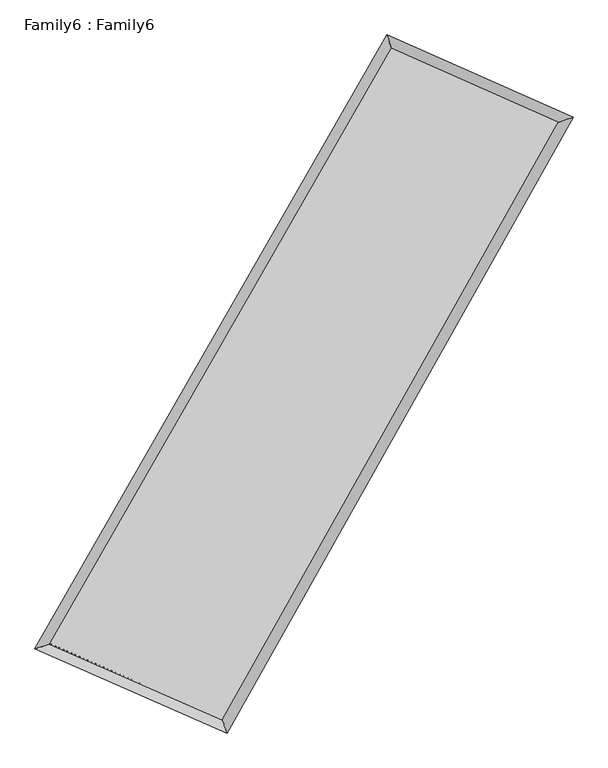
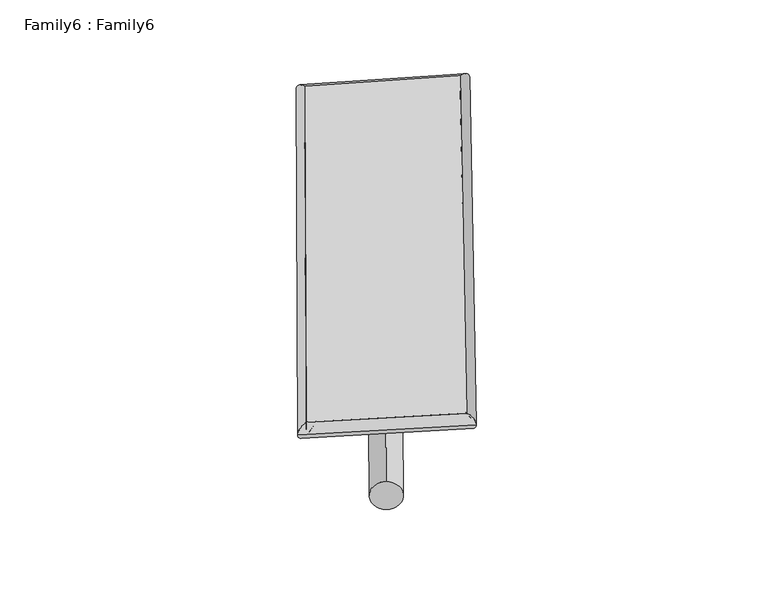
"""IFC4 building model written with IfcOpenShell, lengths in millimetres: plate geometry, Family6 : Family6."""

from ifc_helpers import new_model, si_unit, point, frame, origin, origin_2d, place, context, project, spatial, circle_curve, ellipse_curve, trimmed, segment, composite_curve, outline, extrude, source, transform, mapped, element, save
from ifc_brep_helpers import plane_surface, cylinder_surface, spline_surface, advanced_brep


def family6_family6_4f1f9428(model_context):
    return source(origin(), model_context, "Body", "SolidModel", [
        extrude(outline(composite_curve([segment(trimmed(circle_curve(origin_2d(), 76.2), [point((-75.4341514, -10.7763073))], [point((75.4341514, 10.7763073))], False, "CARTESIAN"), True, "CONTINUOUS"), segment(trimmed(circle_curve(origin_2d(), 76.2), [point((75.4341514, 10.7763073))], [point((-75.4341514, -10.7763073))], False, "CARTESIAN"), True, "CONTINUOUS")], self_intersect=False)), frame((9144.0, 9144.0, 0.0), z_axis=(0.6713587139183311, 0.6916997457541509, 0.26613706801114223), x_axis=(-0.6828703750474199, 0.7168832916970128, -0.1405930189171988)), (0.0, 0.0, 1.0), 5771.3485803),
        extrude(outline(composite_curve([segment(trimmed(circle_curve(origin_2d(), 76.2), [point((-53.8815367, 53.8815367))], [point((53.8815367, -53.8815367))], False, "CARTESIAN"), True, "CONTINUOUS"), segment(trimmed(circle_curve(origin_2d(), 76.2), [point((53.8815367, -53.8815367))], [point((-53.8815367, 53.8815367))], False, "CARTESIAN"), True, "CONTINUOUS")], self_intersect=False)), frame((9144.0, 9144.0, 0.0), z_axis=(-0.676608276759463, -0.6869566961508516, 0.2651258897846389), x_axis=(0.6361779412145396, -0.3640569400502614, 0.680250080127353)), (0.0, 0.0, 1.0), 5792.954609),
        extrude(outline(composite_curve([segment(trimmed(circle_curve(origin_2d(), 76.2), [point((-53.8815367, -53.8815367))], [point((53.8815367, 53.8815367))], False, "CARTESIAN"), True, "CONTINUOUS"), segment(trimmed(circle_curve(origin_2d(), 76.2), [point((53.8815367, 53.8815367))], [point((-53.8815367, -53.8815367))], False, "CARTESIAN"), True, "CONTINUOUS")], self_intersect=False)), frame((9144.0, 9144.0, 0.0), z_axis=(0.2379861381619696, 0.9317209387144347, 0.27433317408553526), x_axis=(-0.8465655795861602, 0.33744169261679424, -0.41165498119646465)), (0.0, 0.0, 1.0), 5504.7900749),
        extrude(outline(composite_curve([segment(trimmed(circle_curve(origin_2d(), 76.2), [point((-75.4341514, 10.7763074))], [point((75.4341514, -10.7763074))], False, "CARTESIAN"), True, "CONTINUOUS"), segment(trimmed(circle_curve(origin_2d(), 76.2), [point((75.4341514, -10.7763074))], [point((-75.4341514, 10.7763074))], False, "CARTESIAN"), True, "CONTINUOUS")], self_intersect=False)), frame((9144.0, 9144.0, 0.0), z_axis=(-0.23012219360064246, -0.9337119453279636, 0.2742731834582052), x_axis=(0.8909045630910994, -0.08872617166022408, 0.44543992403687604)), (0.0, 0.0, 1.0), 5507.6479206),
        advanced_brep(
        [(5007.757388, 5093.1403422, 1534.1156684), (5007.7373335, 5093.1139541, 1538.1162372), (5441.1205413, 5235.8417395, 1537.6088219), (10517.8373676, 14077.9591242, 1512.6450071), (10390.290095, 14467.8972277, 1507.6480607), (5441.1405958, 5235.8681276, 1533.6082532), (12803.5866023, 13064.6785715, 1535.6606487), (13233.7037187, 13207.4021198, 1536.2789305), (7811.4344828, 4196.4146067, 1511.0306786), (7941.7014751, 3806.4720851, 1510.1695785)],
        [
            (0, 1, ellipse_curve(frame((5224.4389647, 5164.4910409, 1535.8622452), z_axis=(-0.3127984514510314, 0.9498079106927819, 0.004696972987915334), x_axis=(-0.9497806074848151, -0.31282657541493425, 0.007505422036127046)), 228.1660141, 152.4)),
            (1, 2, ellipse_curve(frame((5224.4389647, 5164.4910409, 1535.8622452), z_axis=(-0.3127984514510314, 0.9498079106927819, 0.004696972987915334), x_axis=(-0.9497806074848151, -0.31282657541493425, 0.007505422036127046)), 228.1660141, 152.4)),
            (2, 3),
            (3, 4, ellipse_curve(frame((10454.0637313, 14272.928176, 1510.1465339), z_axis=(-0.9504196655880822, -0.31093693784490617, -0.004547520980792969), x_axis=(0.3108907557032286, -0.950405798628064, 0.008703789544051599)), 205.1503423, 152.4)),
            (4, 0),
            (2, 5, ellipse_curve(frame((5224.4389647, 5164.4910409, 1535.8622452), z_axis=(-0.3127984514510314, 0.9498079106927819, 0.004696972987915334), x_axis=(-0.9497806074848151, -0.31282657541493425, 0.007505422036127046)), 228.1660141, 152.4)),
            (5, 0, ellipse_curve(frame((5224.4389647, 5164.4910409, 1535.8622452), z_axis=(-0.3127984514510314, 0.9498079106927819, 0.004696972987915334), x_axis=(-0.9497806074848151, -0.31282657541493425, 0.007505422036127046)), 228.1660141, 152.4)),
            (4, 3, ellipse_curve(frame((10454.0637313, 14272.928176, 1510.1465339), z_axis=(-0.9504196655880822, -0.31093693784490617, -0.004547520980792969), x_axis=(0.3108907557032286, -0.950405798628064, 0.008703789544051599)), 205.1503423, 152.4)),
            (3, 6),
            (6, 7, ellipse_curve(frame((13018.6451605, 13136.0403457, 1535.9697896), z_axis=(-0.31492839070610157, 0.9491020325438402, -0.0050438624501994034), x_axis=(-0.9490723519802048, -0.31496028297923245, -0.007854352449699934)), 226.5952342, 152.4)),
            (7, 4),
            (7, 6, ellipse_curve(frame((13018.6451605, 13136.0403457, 1535.9697896), z_axis=(-0.31492839070610157, 0.9491020325438402, -0.0050438624501994034), x_axis=(-0.9490723519802048, -0.31496028297923245, -0.007854352449699934)), 226.5952342, 152.4)),
            (6, 8),
            (8, 9, ellipse_curve(frame((7876.5679789, 4001.4433459, 1510.6001285), z_axis=(0.9484628952406927, 0.3168596964260055, -0.004250780218084115), x_axis=(-0.31681816647385025, 0.9484499586336954, 0.008302129840556857)), 205.56674, 152.4)),
            (9, 7),
            (9, 8, ellipse_curve(frame((7876.5679789, 4001.4433459, 1510.6001285), z_axis=(0.9484628952406927, 0.3168596964260055, -0.004250780218084115), x_axis=(-0.31681816647385025, 0.9484499586336954, 0.008302129840556857)), 205.56674, 152.4)),
            (8, 5),
            (1, 9),
        ],
        [
            cylinder_surface(frame((5224.4389647, 5164.4910409, 1535.8622452), z_axis=(-0.4979166650572399, -0.8672214249729523, 0.00244841298776116), x_axis=(-0.8671540323775985, 0.49783791522183446, -0.014187822202457984)), 152.4),
            cylinder_surface(frame((10454.0637313, 14272.928176, 1510.1465339), z_axis=(-0.9141595265104666, 0.405250084409326, -0.009204845267241656), x_axis=(0.40532211905674526, 0.9141380532906813, -0.008099341286371475)), 152.4),
            cylinder_surface(frame((13018.6451605, 13136.0403457, 1535.9697896), z_axis=(0.4905399662612806, 0.8714153338985463, 0.002420195625714573), x_axis=(0.8714184638006908, -0.4905399662612806, -0.0006343875990962068)), 152.4),
            cylinder_surface(frame((7876.5679789, 4001.4433459, 1510.6001285), z_axis=(0.915774549629209, -0.40159791371210485, -0.008722955548689529), x_axis=(-0.4015675193809417, -0.9158153821046505, 0.005070826239378322)), 152.4),
        ],
        [
            (0, [[1, 2, 3, 4, 5]]),
            (0, [[6, 7, -5, 8, -3]]),
            (1, [[-4, 9, 10, 11]]),
            (1, [[-8, -11, 12, -9]]),
            (2, [[-10, 13, 14, 15]]),
            (2, [[-12, -15, 16, -13]]),
            (3, [[-14, 17, -6, -2, 18]]),
            (3, [[-16, -18, -1, -7, -17]]),
        ],
    ),
        extrude(outline(composite_curve([segment(trimmed(circle_curve(origin_2d(), 304.8), [point((0.0, -304.8))], [point((0.0, 304.8))], False, "CARTESIAN"), True, "CONTINUOUS"), segment(trimmed(circle_curve(origin_2d(), 304.8), [point((0.0, 304.8))], [point((0.0, -304.8))], False, "CARTESIAN"), True, "CONTINUOUS")], self_intersect=False)), frame((6529.4466297, 4568.03384, -0.0078514), z_axis=(0.49609825259776175, 0.8682663898638643, 1.4897599309173897e-06), x_axis=(-0.8682663898650522, 0.4960982525977618, 3.9558989153154614e-07)), (0.0, 0.0, 1.0), 10540.4659525),
        advanced_brep(
        [(5224.4389647, 5164.4910409, 1535.8622452), (7876.5679789, 4001.4433459, 1510.6001285), (7876.5747042, 4001.4426459, 1663.0001284), (5224.4456899, 5164.4903409, 1688.262245), (13018.6451605, 13136.0403457, 1535.9697896), (13018.6518857, 13136.0396457, 1688.3697895), (10454.0637313, 14272.928176, 1510.1465339), (10454.0704565, 14272.927476, 1662.5465338)],
        [
            (0, 1),
            (1, 2),
            (2, 3),
            (3, 0),
            (1, 4),
            (4, 5),
            (5, 2),
            (4, 6),
            (6, 7),
            (7, 5),
            (6, 0),
            (3, 7),
        ],
        [
            plane_surface(frame((6550.5034718, 4582.9671934, 1523.2311869), z_axis=(-0.40161308535054313, -0.915809439508311, 1.3516324650413199e-05), x_axis=(0.915774549629209, -0.4015979137121049, -0.008722955548689517))),
            plane_surface(frame((10447.6065697, 8568.7418458, 1523.2849591), z_axis=(0.8714179336071217, -0.4905413166398788, -4.0707593606474374e-05), x_axis=(0.49053996626128077, 0.8714153338985463, 0.002420195625714584))),
            plane_surface(frame((11736.3544459, 13704.4842608, 1523.0581618), z_axis=(0.40526736888013287, 0.9141982058250255, -1.368498380597584e-05), x_axis=(-0.9141595265104663, 0.4052500844093264, -0.00920484526724165))),
            plane_surface(frame((7839.251348, 9718.7096084, 1523.0043896), z_axis=(-0.8672239742060668, 0.4979182432060646, 4.0556402085166346e-05), x_axis=(-0.49791666505724, -0.8672214249729522, 0.0024484129877611624))),
            spline_surface(1, 1, [[(7876.5747042, 4001.4426459, 1663.0001284), (5224.4456899, 5164.4903409, 1688.262245)], [(13018.6518857, 13136.0396457, 1688.3697895), (10454.0704565, 14272.927476, 1662.5465338)]], [2, 2], [2, 2], [0.0, 1.0], [0.0, 1.0]),
            spline_surface(1, 1, [[(10454.0637313, 14272.928176, 1510.1465339), (5224.4389647, 5164.4910409, 1535.8622452)], [(13018.6451605, 13136.0403457, 1535.9697896), (7876.5679789, 4001.4433459, 1510.6001285)]], [2, 2], [2, 2], [0.0, 1.0], [0.0, 1.0]),
        ],
        [
            (0, [[1, 2, 3, 4]]),
            (1, [[5, 6, 7, -2]]),
            (2, [[8, 9, 10, -6]]),
            (3, [[11, -4, 12, -9]]),
            (4, [[-3, -7, -10, -12]]),
            (5, [[-11, -8, -5, -1]]),
        ],
    ),
    ])


if __name__ == "__main__":
    model = new_model("IFC4")
    model_context = context("Model", 3, world=origin())
    ifc_project = project(units=[si_unit("LENGTHUNIT", "METRE", prefix="MILLI")], contexts=[model_context])
    site = spatial("IfcSite", under=ifc_project)
    building = spatial("IfcBuilding", under=site)
    placement = place(None, origin())
    family6_family6_shape = family6_family6_4f1f9428(model_context)
    element("IfcPlate", 1, ObjectType="Family6 : Family6", at=placement, inside=building, context=model_context, shape_type="MappedRepresentation", body=[
        mapped(family6_family6_shape, transform((0.0, 0.0, 0.0), x_axis=(1.0, 0.0, 0.0), y_axis=(0.0, 1.0, 0.0), z_axis=(0.0, 0.0, 1.0))),
    ])
    save(model, "model.ifc")
